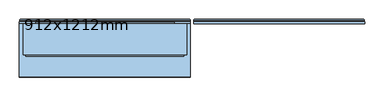
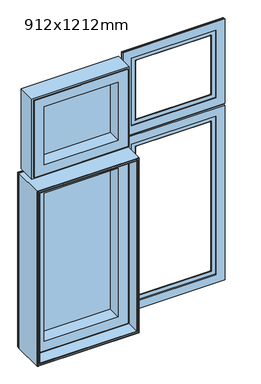
"""IFC4 building model written with IfcOpenShell, lengths in millimetres: window geometry, 912x1212mm."""

from ifc_helpers import new_model, si_unit, frame, origin, place, context, project, spatial, polyline, ellipse_curve, outline, extrude, faceted_brep, source, transform, mapped, element, save
from ifc_brep_helpers import plane_surface, cylinder_surface, revolved_surface, advanced_brep


def window_912x1212mm_dec26759(model_context):
    return source(origin(), model_context, "Body", "SolidModel", [
        advanced_brep(
        [(6.4999999, 154.0000016, 814.4999999), (5.0, 152.5000018, 813.0), (5.0, 152.5000018, 1607.0), (6.4999999, 154.0000016, 1605.5000001), (5.0, 148.3866107, 813.0), (5.0, 148.3866107, 1607.0), (4.0, 148.3866107, 812.0), (4.0, 142.5000017, 812.0), (4.0, 142.5000017, 1608.0), (4.0, 148.3866107, 1608.0), (42.0, 142.5000017, 850.0), (42.0, 146.5000019, 850.0), (42.0, 146.5000019, 1570.0), (42.0, 142.5000017, 1570.0), (60.5061211, 146.5000019, 868.5061211), (60.4807462, 147.4871074, 868.4807462), (60.4807462, 147.4871074, 1551.5192538), (60.5061211, 146.5000019, 1551.4938789), (58.4037517, 148.7951832, 866.4037517), (58.4037517, 148.7951832, 1553.5962483), (58.0, 149.7544748, 866.0), (58.0, 149.7544748, 1554.0), (58.0, 153.0000016, 866.0), (58.0, 153.0000016, 1554.0), (57.5, 153.5000016, 865.5), (57.5, 153.5000016, 1554.5), (42.2, 153.5000016, 850.2), (41.485926, 154.0000016, 849.485926), (41.485926, 154.0000016, 1570.514074), (42.2, 153.5000016, 1569.8), (443.0, 152.5000018, 1607.0), (441.5000001, 154.0000016, 1605.5000001), (443.0, 148.3866107, 1607.0), (444.0, 142.5000017, 1608.0), (444.0, 148.3866107, 1608.0), (406.0, 146.5000019, 1570.0), (406.0, 142.5000017, 1570.0), (387.5192538, 147.4871074, 1551.5192538), (387.4938789, 146.5000019, 1551.4938789), (389.5962483, 148.7951832, 1553.5962483), (390.0, 149.7544748, 1554.0), (390.0, 153.0000016, 1554.0), (390.5, 153.5000016, 1554.5), (406.514074, 154.0000016, 1570.514074), (405.8, 153.5000016, 1569.8), (443.0, 152.5000018, 813.0), (441.5000001, 154.0000016, 814.4999999), (443.0, 148.3866107, 813.0), (444.0, 142.5000017, 812.0), (444.0, 148.3866107, 812.0), (406.0, 146.5000019, 850.0), (406.0, 142.5000017, 850.0), (387.5192538, 147.4871074, 868.4807462), (387.4938789, 146.5000019, 868.5061211), (389.5962483, 148.7951832, 866.4037517), (390.0, 149.7544748, 866.0), (390.0, 153.0000016, 866.0), (390.5, 153.5000016, 865.5), (406.514074, 154.0000016, 849.485926), (405.8, 153.5000016, 850.2)],
        [
            (0, 1, ellipse_curve(frame((6.4999999, 152.5000018, 814.4999999), z_axis=(-0.7071067811865521, 0.0, 0.7071067811865428), x_axis=(-0.7071067811865427, 0.0, -0.7071067811865522)), 2.1213201, 1.4999998)),
            (1, 2),
            (2, 3, ellipse_curve(frame((6.4999999, 152.5000018, 1605.5000001), z_axis=(-0.7071067811865428, 0.0, -0.7071067811865521), x_axis=(0.707106781186552, 0.0, -0.7071067811865429)), 2.1213201, 1.4999998)),
            (3, 0),
            (1, 4),
            (4, 5),
            (5, 2),
            (6, 7),
            (7, 8),
            (8, 9),
            (9, 6),
            (10, 11),
            (11, 12),
            (12, 13),
            (13, 10),
            (14, 15, ellipse_curve(frame((60.5061211, 146.9938808, 868.5061211), z_axis=(-0.7071067811865521, 0.0, 0.7071067811865428), x_axis=(-0.7071067811865427, 0.0, -0.7071067811865522)), 0.6984503, 0.4938789)),
            (15, 16),
            (16, 17, ellipse_curve(frame((60.5061211, 146.9938808, 1551.4938789), z_axis=(-0.7071067811865428, 0.0, -0.7071067811865521), x_axis=(0.707106781186552, 0.0, -0.7071067811865429)), 0.6984503, 0.4938789)),
            (17, 14),
            (15, 18, ellipse_curve(frame((60.3772813, 149.6258125, 868.3772813), z_axis=(0.7071067811865521, 0.0, -0.7071067811865428), x_axis=(0.7071067811865427, 0.0, 0.7071067811865522)), 3.028123, 2.1412063)),
            (18, 19),
            (19, 16, ellipse_curve(frame((60.3772813, 149.6258125, 1551.6227187), z_axis=(0.7071067811865428, 0.0, 0.7071067811865521), x_axis=(-0.707106781186552, 0.0, 0.7071067811865429)), 3.028123, 2.1412063)),
            (18, 20),
            (20, 21),
            (21, 19),
            (20, 22),
            (22, 23),
            (23, 21),
            (22, 24, ellipse_curve(frame((57.5, 153.0000016, 865.5), z_axis=(-0.7071067811865521, 0.0, 0.7071067811865428), x_axis=(-0.7071067811865427, 0.0, -0.7071067811865522)), 0.7071068, 0.5)),
            (24, 25),
            (25, 23, ellipse_curve(frame((57.5, 153.0000016, 1554.5), z_axis=(-0.7071067811865428, 0.0, -0.7071067811865521), x_axis=(0.707106781186552, 0.0, -0.7071067811865429)), 0.7071068, 0.5)),
            (26, 27),
            (27, 28),
            (28, 29),
            (29, 26),
            (2, 30),
            (30, 31, ellipse_curve(frame((441.5000001, 152.5000018, 1605.5000001), z_axis=(-0.707106781186552, 0.0, 0.7071067811865429), x_axis=(-0.707106781186543, 0.0, -0.7071067811865519)), 2.1213201, 1.4999998)),
            (31, 3),
            (5, 32),
            (32, 30),
            (8, 33),
            (33, 34),
            (34, 9),
            (12, 35),
            (35, 36),
            (36, 13),
            (16, 37),
            (37, 38, ellipse_curve(frame((387.4938789, 146.9938808, 1551.4938789), z_axis=(-0.707106781186552, 0.0, 0.7071067811865429), x_axis=(-0.707106781186543, 0.0, -0.7071067811865519)), 0.6984503, 0.4938789)),
            (38, 17),
            (19, 39),
            (39, 37, ellipse_curve(frame((387.6227187, 149.6258125, 1551.6227187), z_axis=(0.707106781186552, 0.0, -0.7071067811865429), x_axis=(0.707106781186543, 0.0, 0.7071067811865519)), 3.028123, 2.1412063)),
            (21, 40),
            (40, 39),
            (23, 41),
            (41, 40),
            (25, 42),
            (42, 41, ellipse_curve(frame((390.5, 153.0000016, 1554.5), z_axis=(-0.707106781186552, 0.0, 0.7071067811865429), x_axis=(-0.707106781186543, 0.0, -0.7071067811865519)), 0.7071068, 0.5)),
            (28, 43),
            (43, 44),
            (44, 29),
            (30, 45),
            (45, 46, ellipse_curve(frame((441.5000001, 152.5000018, 814.4999999), z_axis=(0.7071067811865428, 0.0, 0.7071067811865521), x_axis=(-0.707106781186552, 0.0, 0.707106781186543)), 2.1213201, 1.4999998)),
            (46, 31),
            (32, 47),
            (47, 45),
            (33, 48),
            (48, 49),
            (49, 34),
            (35, 50),
            (50, 51),
            (51, 36),
            (37, 52),
            (52, 53, ellipse_curve(frame((387.4938789, 146.9938808, 868.5061211), z_axis=(0.7071067811865428, 0.0, 0.7071067811865521), x_axis=(-0.707106781186552, 0.0, 0.707106781186543)), 0.6984503, 0.4938789)),
            (53, 38),
            (39, 54),
            (54, 52, ellipse_curve(frame((387.6227187, 149.6258125, 868.3772813), z_axis=(-0.7071067811865428, 0.0, -0.7071067811865521), x_axis=(0.707106781186552, 0.0, -0.707106781186543)), 3.028123, 2.1412063)),
            (40, 55),
            (55, 54),
            (41, 56),
            (56, 55),
            (42, 57),
            (57, 56, ellipse_curve(frame((390.5, 153.0000016, 865.5), z_axis=(0.7071067811865428, 0.0, 0.7071067811865521), x_axis=(-0.707106781186552, 0.0, 0.707106781186543)), 0.7071068, 0.5)),
            (43, 58),
            (58, 59),
            (59, 44),
            (46, 0),
            (27, 58),
            (45, 1),
            (47, 4),
            (49, 6),
            (48, 7),
            (51, 10),
            (50, 11),
            (53, 14),
            (52, 15),
            (54, 18),
            (55, 20),
            (56, 22),
            (57, 24),
            (59, 26),
        ],
        [
            cylinder_surface(frame((6.4999999, 152.5000018, 812.0), z_axis=(0.0, 0.0, -1.0), x_axis=(0.0, -1.0, 0.0)), 1.4999998),
            plane_surface(frame((5.0, 148.3866107, 813.0), z_axis=(-1.0, 0.0, 0.0), x_axis=(0.0, 0.0, 1.0))),
            plane_surface(frame((4.0, 142.5000017, 812.0), z_axis=(-1.0, 0.0, 0.0), x_axis=(0.0, 0.0, 1.0))),
            plane_surface(frame((42.0, 146.5000019, 850.0), z_axis=(1.0, 0.0, 0.0), x_axis=(0.0, 0.0, 1.0))),
            cylinder_surface(frame((60.5061211, 146.9938808, 812.0), z_axis=(0.0, 0.0, -1.0), x_axis=(0.0, -1.0, 0.0)), 0.4938789),
            revolved_surface(polyline([(60.3772813, 147.4846062, 1553.7639250075667), (60.3772813, 147.4846062, 866.236074992433)]), (60.3772813, 149.6258125, 812.0), (0.0, 0.0, 1.0)),
            plane_surface(frame((58.0, 149.7544748, 866.0), z_axis=(0.9216905703602067, 0.3879258853300163, 0.0), x_axis=(0.0, 0.0, 1.0))),
            plane_surface(frame((58.0, 153.0000016, 866.0), z_axis=(1.0, 0.0, 0.0), x_axis=(0.0, 0.0, 1.0))),
            cylinder_surface(frame((57.5, 153.0000016, 812.0), z_axis=(0.0, 0.0, -1.0), x_axis=(0.0, -1.0, 0.0)), 0.5),
            plane_surface(frame((41.485926, 154.0000016, 849.485926), z_axis=(0.5735764363508191, 0.8191520442891508, 0.0), x_axis=(0.0, 0.0, 1.0))),
            cylinder_surface(frame((4.0, 152.5000018, 1605.5000001), z_axis=(-1.0, 0.0, 0.0), x_axis=(0.0, -1.0, 0.0)), 1.4999998),
            plane_surface(frame((5.0, 148.3866107, 1607.0), z_axis=(0.0, 0.0, 1.0), x_axis=(1.0, 0.0, 0.0))),
            plane_surface(frame((4.0, 142.5000017, 1608.0), z_axis=(0.0, 0.0, 1.0), x_axis=(1.0, 0.0, 0.0))),
            plane_surface(frame((42.0, 146.5000019, 1570.0), z_axis=(0.0, 0.0, -1.0), x_axis=(1.0, 0.0, 0.0))),
            cylinder_surface(frame((4.0, 146.9938808, 1551.4938789), z_axis=(-1.0, 0.0, 0.0), x_axis=(0.0, -1.0, 0.0)), 0.4938789),
            revolved_surface(polyline([(389.76392500756697, 147.4846062, 1551.6227187), (58.23607499243303, 147.4846062, 1551.6227187)]), (4.0, 149.6258125, 1551.6227187), (1.0, 0.0, 0.0)),
            plane_surface(frame((58.0, 149.7544748, 1554.0), z_axis=(0.0, 0.3879258853300194, -0.9216905703602055), x_axis=(1.0, 0.0, 0.0))),
            plane_surface(frame((58.0, 153.0000016, 1554.0), z_axis=(0.0, 0.0, -1.0), x_axis=(1.0, 0.0, 0.0))),
            cylinder_surface(frame((4.0, 153.0000016, 1554.5), z_axis=(-1.0, 0.0, 0.0), x_axis=(0.0, -1.0, 0.0)), 0.5),
            plane_surface(frame((41.485926, 154.0000016, 1570.514074), z_axis=(0.0, 0.8191520442891527, -0.5735764363508163), x_axis=(1.0, 0.0, 0.0))),
            cylinder_surface(frame((441.5000001, 152.5000018, 1608.0), z_axis=(0.0, 0.0, 1.0), x_axis=(0.0, -1.0, 0.0)), 1.4999998),
            plane_surface(frame((443.0, 148.3866107, 1607.0), z_axis=(1.0, 0.0, 0.0), x_axis=(0.0, 0.0, -1.0))),
            plane_surface(frame((444.0, 142.5000017, 1608.0), z_axis=(1.0, 0.0, 0.0), x_axis=(0.0, 0.0, -1.0))),
            plane_surface(frame((406.0, 146.5000019, 1570.0), z_axis=(-1.0, 0.0, 0.0), x_axis=(0.0, 0.0, -1.0))),
            cylinder_surface(frame((387.4938789, 146.9938808, 1608.0), z_axis=(0.0, 0.0, 1.0), x_axis=(0.0, -1.0, 0.0)), 0.4938789),
            revolved_surface(polyline([(387.6227187, 147.4846062, 866.2360749924331), (387.6227187, 147.4846062, 1553.763925007567)]), (387.6227187, 149.6258125, 1608.0), (0.0, 0.0, -1.0)),
            plane_surface(frame((390.0, 149.7544748, 1554.0), z_axis=(-0.9216905703602042, 0.38792588533002237, 0.0), x_axis=(0.0, 0.0, -1.0))),
            plane_surface(frame((390.0, 153.0000016, 1554.0), z_axis=(-1.0, 0.0, 0.0), x_axis=(0.0, 0.0, -1.0))),
            cylinder_surface(frame((390.5, 153.0000016, 1608.0), z_axis=(0.0, 0.0, 1.0), x_axis=(0.0, -1.0, 0.0)), 0.5),
            plane_surface(frame((406.514074, 154.0000016, 1570.514074), z_axis=(-0.5735764363508137, 0.8191520442891546, 0.0), x_axis=(0.0, 0.0, -1.0))),
            plane_surface(frame((441.5000001, 154.0000016, 814.4999999), z_axis=(0.0, 1.0, 0.0), x_axis=(-1.0, 0.0, 0.0))),
            cylinder_surface(frame((444.0, 152.5000018, 814.4999999), z_axis=(1.0, 0.0, 0.0), x_axis=(0.0, -1.0, 0.0)), 1.4999998),
            plane_surface(frame((443.0, 148.3866107, 813.0), z_axis=(0.0, 0.0, -1.0), x_axis=(-1.0, 0.0, 0.0))),
            plane_surface(frame((444.0, 148.3866107, 812.0), z_axis=(0.0, 1.0, 0.0), x_axis=(-1.0, 0.0, 0.0))),
            plane_surface(frame((444.0, 142.5000017, 812.0), z_axis=(0.0, 0.0, -1.0), x_axis=(-1.0, 0.0, 0.0))),
            plane_surface(frame((406.0, 142.5000017, 850.0), z_axis=(0.0, -1.0, 0.0), x_axis=(-1.0, 0.0, 0.0))),
            plane_surface(frame((406.0, 146.5000019, 850.0), z_axis=(0.0, 0.0, 1.0), x_axis=(-1.0, 0.0, 0.0))),
            plane_surface(frame((387.4938789, 146.5000019, 868.5061211), z_axis=(0.0, -1.0, 0.0), x_axis=(-1.0, 0.0, 0.0))),
            cylinder_surface(frame((444.0, 146.9938808, 868.5061211), z_axis=(1.0, 0.0, 0.0), x_axis=(0.0, -1.0, 0.0)), 0.4938789),
            revolved_surface(polyline([(58.23607499243303, 147.4846062, 868.3772813), (389.76392500756697, 147.4846062, 868.3772813)]), (444.0, 149.6258125, 868.3772813), (-1.0, 0.0, 0.0)),
            plane_surface(frame((390.0, 149.7544748, 866.0), z_axis=(0.0, 0.38792588533001937, 0.9216905703602054), x_axis=(-1.0, 0.0, 0.0))),
            plane_surface(frame((390.0, 153.0000016, 866.0), z_axis=(0.0, 0.0, 1.0), x_axis=(-1.0, 0.0, 0.0))),
            cylinder_surface(frame((444.0, 153.0000016, 865.5), z_axis=(1.0, 0.0, 0.0), x_axis=(0.0, -1.0, 0.0)), 0.5),
            plane_surface(frame((405.8, 153.5000016, 850.2), z_axis=(0.0, 1.0, 0.0), x_axis=(-1.0, 0.0, 0.0))),
            plane_surface(frame((406.514074, 154.0000016, 849.485926), z_axis=(0.0, 0.8191520442891527, 0.5735764363508163), x_axis=(-1.0, 0.0, 0.0))),
        ],
        [
            (0, [[1, 2, 3, 4]]),
            (1, [[5, 6, 7, -2]]),
            (2, [[8, 9, 10, 11]]),
            (3, [[12, 13, 14, 15]]),
            (4, [[16, 17, 18, 19]]),
            (5, [[20, 21, 22, -17]]),
            (6, [[23, 24, 25, -21]]),
            (7, [[26, 27, 28, -24]]),
            (8, [[29, 30, 31, -27]]),
            (9, [[32, 33, 34, 35]]),
            (10, [[-3, 36, 37, 38]]),
            (11, [[-7, 39, 40, -36]]),
            (12, [[-10, 41, 42, 43]]),
            (13, [[-14, 44, 45, 46]]),
            (14, [[-18, 47, 48, 49]]),
            (15, [[-22, 50, 51, -47]]),
            (16, [[-25, 52, 53, -50]]),
            (17, [[-28, 54, 55, -52]]),
            (18, [[-31, 56, 57, -54]]),
            (19, [[-34, 58, 59, 60]]),
            (20, [[-37, 61, 62, 63]]),
            (21, [[-40, 64, 65, -61]]),
            (22, [[-42, 66, 67, 68]]),
            (23, [[-45, 69, 70, 71]]),
            (24, [[-48, 72, 73, 74]]),
            (25, [[-51, 75, 76, -72]]),
            (26, [[-53, 77, 78, -75]]),
            (27, [[-55, 79, 80, -77]]),
            (28, [[-57, 81, 82, -79]]),
            (29, [[-59, 83, 84, 85]]),
            (30, [[-38, -63, 86, -4], [87, -83, -58, -33]]),
            (31, [[-62, 88, -1, -86]]),
            (32, [[-65, 89, -5, -88]]),
            (33, [[-43, -68, 90, -11], [-89, -64, -39, -6]]),
            (34, [[-67, 91, -8, -90]]),
            (35, [[-91, -66, -41, -9], [-46, -71, 92, -15]]),
            (36, [[-70, 93, -12, -92]]),
            (37, [[-93, -69, -44, -13], [-49, -74, 94, -19]]),
            (38, [[-73, 95, -16, -94]]),
            (39, [[-76, 96, -20, -95]]),
            (40, [[-78, 97, -23, -96]]),
            (41, [[-80, 98, -26, -97]]),
            (42, [[-82, 99, -29, -98]]),
            (43, [[-60, -85, 100, -35], [-99, -81, -56, -30]]),
            (44, [[-84, -87, -32, -100]]),
        ],
    ),
        advanced_brep(
        [(5.0, 152.5000018, 1999.0), (6.4999999, 154.0000016, 1997.5000001), (6.4999999, 154.0000016, 1618.4999999), (5.0, 152.5000018, 1617.0), (5.0, 148.3866107, 1999.0), (5.0, 148.3866107, 1617.0), (4.0, 142.5000017, 2000.0), (4.0, 148.3866107, 2000.0), (4.0, 148.3866107, 1616.0), (4.0, 142.5000017, 1616.0), (42.0, 146.5000019, 1962.0), (42.0, 142.5000017, 1962.0), (42.0, 142.5000017, 1654.0), (42.0, 146.5000019, 1654.0), (60.4807462, 147.4871074, 1943.5192538), (60.5061211, 146.5000019, 1943.4938789), (60.5061211, 146.5000019, 1672.5061211), (60.4807462, 147.4871074, 1672.4807462), (58.4037517, 148.7951832, 1945.5962483), (58.4037517, 148.7951832, 1670.4037517), (58.0, 149.7544748, 1946.0), (58.0, 149.7544748, 1670.0), (58.0, 153.0000016, 1946.0), (58.0, 153.0000016, 1670.0), (57.5, 153.5000016, 1946.5), (57.5, 153.5000016, 1669.5), (41.485926, 154.0000016, 1962.514074), (42.2, 153.5000016, 1961.8), (42.2, 153.5000016, 1654.2), (41.485926, 154.0000016, 1653.485926), (441.5000001, 154.0000016, 1618.4999999), (443.0, 152.5000018, 1617.0), (443.0, 148.3866107, 1617.0), (444.0, 148.3866107, 1616.0), (444.0, 142.5000017, 1616.0), (406.0, 142.5000017, 1654.0), (406.0, 146.5000019, 1654.0), (387.4938789, 146.5000019, 1672.5061211), (387.5192538, 147.4871074, 1672.4807462), (389.5962483, 148.7951832, 1670.4037517), (390.0, 149.7544748, 1670.0), (390.0, 153.0000016, 1670.0), (390.5, 153.5000016, 1669.5), (405.8, 153.5000016, 1654.2), (406.514074, 154.0000016, 1653.485926), (441.5000001, 154.0000016, 1997.5000001), (443.0, 152.5000018, 1999.0), (443.0, 148.3866107, 1999.0), (444.0, 148.3866107, 2000.0), (444.0, 142.5000017, 2000.0), (406.0, 142.5000017, 1962.0), (406.0, 146.5000019, 1962.0), (387.4938789, 146.5000019, 1943.4938789), (387.5192538, 147.4871074, 1943.5192538), (389.5962483, 148.7951832, 1945.5962483), (390.0, 149.7544748, 1946.0), (390.0, 153.0000016, 1946.0), (390.5, 153.5000016, 1946.5), (405.8, 153.5000016, 1961.8), (406.514074, 154.0000016, 1962.514074)],
        [
            (0, 1, ellipse_curve(frame((6.4999999, 152.5000018, 1997.5000001), z_axis=(-0.7071067811865475, 0.0, -0.7071067811865475), x_axis=(-0.7071067811865474, 0.0, 0.7071067811865476)), 2.1213201, 1.4999998)),
            (1, 2),
            (2, 3, ellipse_curve(frame((6.4999999, 152.5000018, 1618.4999999), z_axis=(-0.7071067811865475, 0.0, 0.7071067811865475), x_axis=(0.7071067811865474, 0.0, 0.7071067811865476)), 2.1213201, 1.4999998)),
            (3, 0),
            (4, 0),
            (3, 5),
            (5, 4),
            (6, 7),
            (7, 8),
            (8, 9),
            (9, 6),
            (10, 11),
            (11, 12),
            (12, 13),
            (13, 10),
            (14, 15, ellipse_curve(frame((60.5061211, 146.9938808, 1943.4938789), z_axis=(-0.7071067811865475, 0.0, -0.7071067811865475), x_axis=(-0.7071067811865474, 0.0, 0.7071067811865476)), 0.6984503, 0.4938789)),
            (15, 16),
            (16, 17, ellipse_curve(frame((60.5061211, 146.9938808, 1672.5061211), z_axis=(-0.7071067811865475, 0.0, 0.7071067811865475), x_axis=(0.7071067811865474, 0.0, 0.7071067811865476)), 0.6984503, 0.4938789)),
            (17, 14),
            (18, 14, ellipse_curve(frame((60.3772813, 149.6258125, 1943.6227187), z_axis=(0.7071067811865475, 0.0, 0.7071067811865475), x_axis=(0.7071067811865474, 0.0, -0.7071067811865476)), 3.028123, 2.1412063)),
            (17, 19, ellipse_curve(frame((60.3772813, 149.6258125, 1672.3772813), z_axis=(0.7071067811865475, 0.0, -0.7071067811865475), x_axis=(-0.7071067811865474, 0.0, -0.7071067811865476)), 3.028123, 2.1412063)),
            (19, 18),
            (20, 18),
            (19, 21),
            (21, 20),
            (22, 20),
            (21, 23),
            (23, 22),
            (24, 22, ellipse_curve(frame((57.5, 153.0000016, 1946.5), z_axis=(-0.7071067811865475, 0.0, -0.7071067811865475), x_axis=(-0.7071067811865474, 0.0, 0.7071067811865476)), 0.7071068, 0.5)),
            (23, 25, ellipse_curve(frame((57.5, 153.0000016, 1669.5), z_axis=(-0.7071067811865475, 0.0, 0.7071067811865475), x_axis=(0.7071067811865474, 0.0, 0.7071067811865476)), 0.7071068, 0.5)),
            (25, 24),
            (26, 27),
            (27, 28),
            (28, 29),
            (29, 26),
            (2, 30),
            (30, 31, ellipse_curve(frame((441.5000001, 152.5000018, 1618.4999999), z_axis=(-0.7071067811865475, 0.0, -0.7071067811865475), x_axis=(-0.7071067811865476, 0.0, 0.7071067811865474)), 2.1213201, 1.4999998)),
            (31, 3),
            (31, 32),
            (32, 5),
            (8, 33),
            (33, 34),
            (34, 9),
            (12, 35),
            (35, 36),
            (36, 13),
            (16, 37),
            (37, 38, ellipse_curve(frame((387.4938789, 146.9938808, 1672.5061211), z_axis=(-0.7071067811865475, 0.0, -0.7071067811865475), x_axis=(-0.7071067811865476, 0.0, 0.7071067811865474)), 0.6984503, 0.4938789)),
            (38, 17),
            (38, 39, ellipse_curve(frame((387.6227187, 149.6258125, 1672.3772813), z_axis=(0.7071067811865475, 0.0, 0.7071067811865475), x_axis=(0.7071067811865476, 0.0, -0.7071067811865474)), 3.028123, 2.1412063)),
            (39, 19),
            (39, 40),
            (40, 21),
            (40, 41),
            (41, 23),
            (41, 42, ellipse_curve(frame((390.5, 153.0000016, 1669.5), z_axis=(-0.7071067811865475, 0.0, -0.7071067811865475), x_axis=(-0.7071067811865476, 0.0, 0.7071067811865474)), 0.7071068, 0.5)),
            (42, 25),
            (28, 43),
            (43, 44),
            (44, 29),
            (30, 45),
            (45, 46, ellipse_curve(frame((441.5000001, 152.5000018, 1997.5000001), z_axis=(0.7071067811865475, 0.0, -0.7071067811865475), x_axis=(-0.7071067811865474, 0.0, -0.7071067811865476)), 2.1213201, 1.4999998)),
            (46, 31),
            (46, 47),
            (47, 32),
            (33, 48),
            (48, 49),
            (49, 34),
            (35, 50),
            (50, 51),
            (51, 36),
            (37, 52),
            (52, 53, ellipse_curve(frame((387.4938789, 146.9938808, 1943.4938789), z_axis=(0.7071067811865475, 0.0, -0.7071067811865475), x_axis=(-0.7071067811865474, 0.0, -0.7071067811865476)), 0.6984503, 0.4938789)),
            (53, 38),
            (53, 54, ellipse_curve(frame((387.6227187, 149.6258125, 1943.6227187), z_axis=(-0.7071067811865475, 0.0, 0.7071067811865475), x_axis=(0.7071067811865474, 0.0, 0.7071067811865476)), 3.028123, 2.1412063)),
            (54, 39),
            (54, 55),
            (55, 40),
            (55, 56),
            (56, 41),
            (56, 57, ellipse_curve(frame((390.5, 153.0000016, 1946.5), z_axis=(0.7071067811865475, 0.0, -0.7071067811865475), x_axis=(-0.7071067811865474, 0.0, -0.7071067811865476)), 0.7071068, 0.5)),
            (57, 42),
            (43, 58),
            (58, 59),
            (59, 44),
            (1, 45),
            (59, 26),
            (0, 46),
            (4, 47),
            (7, 48),
            (6, 49),
            (11, 50),
            (10, 51),
            (15, 52),
            (14, 53),
            (18, 54),
            (20, 55),
            (22, 56),
            (24, 57),
            (27, 58),
        ],
        [
            cylinder_surface(frame((6.4999999, 152.5000018, 2000.0), z_axis=(0.0, 0.0, 1.0), x_axis=(1.0, 0.0, 0.0)), 1.4999998),
            plane_surface(frame((5.0, 152.5000018, 1999.0), z_axis=(-1.0, 0.0, 0.0), x_axis=(0.0, 0.0, -1.0))),
            plane_surface(frame((4.0, 148.3866107, 2000.0), z_axis=(-1.0, 0.0, 0.0), x_axis=(0.0, 0.0, -1.0))),
            plane_surface(frame((42.0, 142.5000017, 1962.0), z_axis=(1.0, 0.0, 0.0), x_axis=(0.0, 0.0, -1.0))),
            cylinder_surface(frame((60.5061211, 146.9938808, 2000.0), z_axis=(0.0, 0.0, 1.0), x_axis=(1.0, 0.0, 0.0)), 0.4938789),
            revolved_surface(polyline([(62.5184876, 149.6258125, 1670.236074992433), (62.5184876, 149.6258125, 1945.763925007567)]), (60.3772813, 149.6258125, 2000.0), (0.0, 0.0, -1.0)),
            plane_surface(frame((58.4037517, 148.7951832, 1945.5962483), z_axis=(0.9216905703602581, 0.3879258853298941, 0.0), x_axis=(0.0, 0.0, -1.0))),
            plane_surface(frame((58.0, 149.7544748, 1946.0), z_axis=(1.0, 0.0, 0.0), x_axis=(0.0, 0.0, -1.0))),
            cylinder_surface(frame((57.5, 153.0000016, 2000.0), z_axis=(0.0, 0.0, 1.0), x_axis=(1.0, 0.0, 0.0)), 0.5),
            plane_surface(frame((42.2, 153.5000016, 1961.8), z_axis=(0.5735764363510224, 0.8191520442890085, 0.0), x_axis=(0.0, 0.0, -1.0))),
            cylinder_surface(frame((4.0, 152.5000018, 1618.4999999), z_axis=(-1.0, 0.0, 0.0), x_axis=(0.0, 0.0, 1.0)), 1.4999998),
            plane_surface(frame((5.0, 152.5000018, 1617.0), z_axis=(0.0, 0.0, -1.0), x_axis=(1.0, 0.0, 0.0))),
            plane_surface(frame((4.0, 148.3866107, 1616.0), z_axis=(0.0, 0.0, -1.0), x_axis=(1.0, 0.0, 0.0))),
            plane_surface(frame((42.0, 142.5000017, 1654.0), z_axis=(0.0, 0.0, 1.0), x_axis=(1.0, 0.0, 0.0))),
            cylinder_surface(frame((4.0, 146.9938808, 1672.5061211), z_axis=(-1.0, 0.0, 0.0), x_axis=(0.0, 0.0, 1.0)), 0.4938789),
            revolved_surface(polyline([(389.76392500756697, 149.6258125, 1674.5184876), (58.236074992433046, 149.6258125, 1674.5184876)]), (4.0, 149.6258125, 1672.3772813), (1.0, 0.0, 0.0)),
            plane_surface(frame((58.4037517, 148.7951832, 1670.4037517), z_axis=(0.0, 0.3879258853298971, 0.9216905703602569), x_axis=(1.0, 0.0, 0.0))),
            plane_surface(frame((58.0, 149.7544748, 1670.0), z_axis=(0.0, 0.0, 1.0), x_axis=(1.0, 0.0, 0.0))),
            cylinder_surface(frame((4.0, 153.0000016, 1669.5), z_axis=(-1.0, 0.0, 0.0), x_axis=(0.0, 0.0, 1.0)), 0.5),
            plane_surface(frame((42.2, 153.5000016, 1654.2), z_axis=(0.0, 0.8191520442890103, 0.5735764363510197), x_axis=(1.0, 0.0, 0.0))),
            cylinder_surface(frame((441.5000001, 152.5000018, 1616.0), z_axis=(0.0, 0.0, -1.0), x_axis=(-1.0, 0.0, 0.0)), 1.4999998),
            plane_surface(frame((443.0, 152.5000018, 1617.0), z_axis=(1.0, 0.0, 0.0), x_axis=(0.0, 0.0, 1.0))),
            plane_surface(frame((444.0, 148.3866107, 1616.0), z_axis=(1.0, 0.0, 0.0), x_axis=(0.0, 0.0, 1.0))),
            plane_surface(frame((406.0, 142.5000017, 1654.0), z_axis=(-1.0, 0.0, 0.0), x_axis=(0.0, 0.0, 1.0))),
            cylinder_surface(frame((387.4938789, 146.9938808, 1616.0), z_axis=(0.0, 0.0, -1.0), x_axis=(-1.0, 0.0, 0.0)), 0.4938789),
            revolved_surface(polyline([(385.4815124, 149.6258125, 1945.763925007567), (385.4815124, 149.6258125, 1670.236074992433)]), (387.6227187, 149.6258125, 1616.0), (0.0, 0.0, 1.0)),
            plane_surface(frame((389.5962483, 148.7951832, 1670.4037517), z_axis=(-0.9216905703602557, 0.3879258853299001, 0.0), x_axis=(0.0, 0.0, 1.0))),
            plane_surface(frame((390.0, 149.7544748, 1670.0), z_axis=(-1.0, 0.0, 0.0), x_axis=(0.0, 0.0, 1.0))),
            cylinder_surface(frame((390.5, 153.0000016, 1616.0), z_axis=(0.0, 0.0, -1.0), x_axis=(-1.0, 0.0, 0.0)), 0.5),
            plane_surface(frame((405.8, 153.5000016, 1654.2), z_axis=(-0.5735764363510171, 0.8191520442890122, 0.0), x_axis=(0.0, 0.0, 1.0))),
            plane_surface(frame((406.514074, 154.0000016, 1962.514074), z_axis=(0.0, 1.0, 0.0), x_axis=(-1.0, 0.0, 0.0))),
            cylinder_surface(frame((444.0, 152.5000018, 1997.5000001), z_axis=(1.0, 0.0, 0.0), x_axis=(0.0, 0.0, -1.0)), 1.4999998),
            plane_surface(frame((443.0, 152.5000018, 1999.0), z_axis=(0.0, 0.0, 1.0), x_axis=(-1.0, 0.0, 0.0))),
            plane_surface(frame((443.0, 148.3866107, 1999.0), z_axis=(0.0, 1.0, 0.0), x_axis=(-1.0, 0.0, 0.0))),
            plane_surface(frame((444.0, 148.3866107, 2000.0), z_axis=(0.0, 0.0, 1.0), x_axis=(-1.0, 0.0, 0.0))),
            plane_surface(frame((444.0, 142.5000017, 2000.0), z_axis=(0.0, -1.0, 0.0), x_axis=(-1.0, 0.0, 0.0))),
            plane_surface(frame((406.0, 142.5000017, 1962.0), z_axis=(0.0, 0.0, -1.0), x_axis=(-1.0, 0.0, 0.0))),
            plane_surface(frame((406.0, 146.5000019, 1962.0), z_axis=(0.0, -1.0, 0.0), x_axis=(-1.0, 0.0, 0.0))),
            cylinder_surface(frame((444.0, 146.9938808, 1943.4938789), z_axis=(1.0, 0.0, 0.0), x_axis=(0.0, 0.0, -1.0)), 0.4938789),
            revolved_surface(polyline([(58.23607499243303, 149.6258125, 1941.4815124), (389.76392500756697, 149.6258125, 1941.4815124)]), (444.0, 149.6258125, 1943.6227187), (-1.0, 0.0, 0.0)),
            plane_surface(frame((389.5962483, 148.7951832, 1945.5962483), z_axis=(0.0, 0.3879258853298971, -0.9216905703602569), x_axis=(-1.0, 0.0, 0.0))),
            plane_surface(frame((390.0, 149.7544748, 1946.0), z_axis=(0.0, 0.0, -1.0), x_axis=(-1.0, 0.0, 0.0))),
            cylinder_surface(frame((444.0, 153.0000016, 1946.5), z_axis=(1.0, 0.0, 0.0), x_axis=(0.0, 0.0, -1.0)), 0.5),
            plane_surface(frame((390.5, 153.5000016, 1946.5), z_axis=(0.0, 1.0, 0.0), x_axis=(-1.0, 0.0, 0.0))),
            plane_surface(frame((405.8, 153.5000016, 1961.8), z_axis=(0.0, 0.8191520442890103, -0.5735764363510197), x_axis=(-1.0, 0.0, 0.0))),
        ],
        [
            (0, [[1, 2, 3, 4]]),
            (1, [[5, -4, 6, 7]]),
            (2, [[8, 9, 10, 11]]),
            (3, [[12, 13, 14, 15]]),
            (4, [[16, 17, 18, 19]]),
            (5, [[20, -19, 21, 22]]),
            (6, [[23, -22, 24, 25]]),
            (7, [[26, -25, 27, 28]]),
            (8, [[29, -28, 30, 31]]),
            (9, [[32, 33, 34, 35]]),
            (10, [[-3, 36, 37, 38]]),
            (11, [[-6, -38, 39, 40]]),
            (12, [[-10, 41, 42, 43]]),
            (13, [[-14, 44, 45, 46]]),
            (14, [[-18, 47, 48, 49]]),
            (15, [[-21, -49, 50, 51]]),
            (16, [[-24, -51, 52, 53]]),
            (17, [[-27, -53, 54, 55]]),
            (18, [[-30, -55, 56, 57]]),
            (19, [[-34, 58, 59, 60]]),
            (20, [[-37, 61, 62, 63]]),
            (21, [[-39, -63, 64, 65]]),
            (22, [[-42, 66, 67, 68]]),
            (23, [[-45, 69, 70, 71]]),
            (24, [[-48, 72, 73, 74]]),
            (25, [[-50, -74, 75, 76]]),
            (26, [[-52, -76, 77, 78]]),
            (27, [[-54, -78, 79, 80]]),
            (28, [[-56, -80, 81, 82]]),
            (29, [[-59, 83, 84, 85]]),
            (30, [[86, -61, -36, -2], [-60, -85, 87, -35]]),
            (31, [[-62, -86, -1, 88]]),
            (32, [[-64, -88, -5, 89]]),
            (33, [[90, -66, -41, -9], [-40, -65, -89, -7]]),
            (34, [[-67, -90, -8, 91]]),
            (35, [[-43, -68, -91, -11], [92, -69, -44, -13]]),
            (36, [[-70, -92, -12, 93]]),
            (37, [[-46, -71, -93, -15], [94, -72, -47, -17]]),
            (38, [[-73, -94, -16, 95]]),
            (39, [[-75, -95, -20, 96]]),
            (40, [[-77, -96, -23, 97]]),
            (41, [[-79, -97, -26, 98]]),
            (42, [[-81, -98, -29, 99]]),
            (43, [[100, -83, -58, -33], [-57, -82, -99, -31]]),
            (44, [[-84, -100, -32, -87]]),
        ],
    ),
        advanced_brep(
        [(-435.5, 5.0000015, 820.5), (-434.0, 6.5000015, 822.0), (-434.0, 6.5000015, 1598.0), (-435.5, 5.0000015, 1599.5), (-434.0, 142.5000017, 822.0), (-434.0, 142.5000017, 1598.0), (-444.0, 142.5000017, 812.0), (-444.0, 6.5000015, 812.0), (-444.0, 6.5000015, 1608.0), (-444.0, 142.5000017, 1608.0), (-442.5, 5.0000015, 813.5), (-442.5, 5.0000015, 1606.5), (-14.0, 6.5000015, 1598.0), (-12.5, 5.0000015, 1599.5), (-14.0, 142.5000017, 1598.0), (-4.0, 6.5000015, 1608.0), (-4.0, 142.5000017, 1608.0), (-5.5, 5.0000015, 1606.5), (-14.0, 6.5000015, 822.0), (-12.5, 5.0000015, 820.5), (-14.0, 142.5000017, 822.0), (-4.0, 6.5000015, 812.0), (-4.0, 142.5000017, 812.0), (-5.5, 5.0000015, 813.5)],
        [
            (0, 1, ellipse_curve(frame((-435.5, 6.5000015, 820.5), z_axis=(-0.707106781186552, 0.0, 0.707106781186543), x_axis=(-0.707106781186543, 0.0, -0.707106781186552)), 2.1213203, 1.5)),
            (1, 2),
            (2, 3, ellipse_curve(frame((-435.5, 6.5000015, 1599.5), z_axis=(-0.7071067811865429, 0.0, -0.7071067811865521), x_axis=(0.7071067811865521, 0.0, -0.7071067811865429)), 2.1213203, 1.5)),
            (3, 0),
            (1, 4),
            (4, 5),
            (5, 2),
            (6, 7),
            (7, 8),
            (8, 9),
            (9, 6),
            (7, 10, ellipse_curve(frame((-442.5, 6.5000015, 813.5), z_axis=(-0.707106781186552, 0.0, 0.707106781186543), x_axis=(-0.707106781186543, 0.0, -0.707106781186552)), 2.1213203, 1.5)),
            (10, 11),
            (11, 8, ellipse_curve(frame((-442.5, 6.5000015, 1606.5), z_axis=(-0.7071067811865429, 0.0, -0.7071067811865521), x_axis=(0.7071067811865521, 0.0, -0.7071067811865429)), 2.1213203, 1.5)),
            (2, 12),
            (12, 13, ellipse_curve(frame((-12.5, 6.5000015, 1599.5), z_axis=(-0.707106781186552, 0.0, 0.7071067811865429), x_axis=(-0.7071067811865431, 0.0, -0.7071067811865519)), 2.1213203, 1.5)),
            (13, 3),
            (5, 14),
            (14, 12),
            (8, 15),
            (15, 16),
            (16, 9),
            (11, 17),
            (17, 15, ellipse_curve(frame((-5.5, 6.5000015, 1606.5), z_axis=(-0.707106781186552, 0.0, 0.7071067811865429), x_axis=(-0.7071067811865431, 0.0, -0.7071067811865519)), 2.1213203, 1.5)),
            (12, 18),
            (18, 19, ellipse_curve(frame((-12.5, 6.5000015, 820.5), z_axis=(0.7071067811865431, 0.0, 0.707106781186552), x_axis=(-0.707106781186552, 0.0, 0.7071067811865429)), 2.1213203, 1.5)),
            (19, 13),
            (14, 20),
            (20, 18),
            (15, 21),
            (21, 22),
            (22, 16),
            (17, 23),
            (23, 21, ellipse_curve(frame((-5.5, 6.5000015, 813.5), z_axis=(0.7071067811865431, 0.0, 0.707106781186552), x_axis=(-0.707106781186552, 0.0, 0.7071067811865429)), 2.1213203, 1.5)),
            (18, 1),
            (0, 19),
            (20, 4),
            (22, 6),
            (21, 7),
            (23, 10),
        ],
        [
            cylinder_surface(frame((-435.5, 6.5000015, 812.0), z_axis=(0.0, 0.0, -1.0), x_axis=(0.0, -1.0, 0.0)), 1.5),
            plane_surface(frame((-434.0, 142.5000017, 822.0), z_axis=(1.0, 0.0, 0.0), x_axis=(0.0, 0.0, 1.0))),
            plane_surface(frame((-444.0, 6.5000015, 812.0), z_axis=(-1.0, 0.0, 0.0), x_axis=(0.0, 0.0, 1.0))),
            cylinder_surface(frame((-442.5, 6.5000015, 812.0), z_axis=(0.0, 0.0, -1.0), x_axis=(0.0, -1.0, 0.0)), 1.5),
            cylinder_surface(frame((-444.0, 6.5000015, 1599.5), z_axis=(-1.0, 0.0, 0.0), x_axis=(0.0, -1.0, 0.0)), 1.5),
            plane_surface(frame((-434.0, 142.5000017, 1598.0), z_axis=(0.0, 0.0, -1.0), x_axis=(1.0, 0.0, 0.0))),
            plane_surface(frame((-444.0, 6.5000015, 1608.0), z_axis=(0.0, 0.0, 1.0), x_axis=(1.0, 0.0, 0.0))),
            cylinder_surface(frame((-444.0, 6.5000015, 1606.5), z_axis=(-1.0, 0.0, 0.0), x_axis=(0.0, -1.0, 0.0)), 1.5),
            cylinder_surface(frame((-12.5, 6.5000015, 1608.0), z_axis=(0.0, 0.0, 1.0), x_axis=(0.0, -1.0, 0.0)), 1.5),
            plane_surface(frame((-14.0, 142.5000017, 1598.0), z_axis=(-1.0, 0.0, 0.0), x_axis=(0.0, 0.0, -1.0))),
            plane_surface(frame((-4.0, 6.5000015, 1608.0), z_axis=(1.0, 0.0, 0.0), x_axis=(0.0, 0.0, -1.0))),
            cylinder_surface(frame((-5.5, 6.5000015, 1608.0), z_axis=(0.0, 0.0, 1.0), x_axis=(0.0, -1.0, 0.0)), 1.5),
            cylinder_surface(frame((-4.0, 6.5000015, 820.5), z_axis=(1.0, 0.0, 0.0), x_axis=(0.0, -1.0, 0.0)), 1.5),
            plane_surface(frame((-14.0, 142.5000017, 822.0), z_axis=(0.0, 0.0, 1.0), x_axis=(-1.0, 0.0, 0.0))),
            plane_surface(frame((-4.0, 142.5000017, 812.0), z_axis=(0.0, 1.0, 0.0), x_axis=(-1.0, 0.0, 0.0))),
            plane_surface(frame((-4.0, 6.5000015, 812.0), z_axis=(0.0, 0.0, -1.0), x_axis=(-1.0, 0.0, 0.0))),
            cylinder_surface(frame((-4.0, 6.5000015, 813.5), z_axis=(1.0, 0.0, 0.0), x_axis=(0.0, -1.0, 0.0)), 1.5),
            plane_surface(frame((-12.5, 5.0000015, 820.5), z_axis=(0.0, -1.0, 0.0), x_axis=(-1.0, 0.0, 0.0))),
        ],
        [
            (0, [[1, 2, 3, 4]]),
            (1, [[5, 6, 7, -2]]),
            (2, [[8, 9, 10, 11]]),
            (3, [[12, 13, 14, -9]]),
            (4, [[-3, 15, 16, 17]]),
            (5, [[-7, 18, 19, -15]]),
            (6, [[-10, 20, 21, 22]]),
            (7, [[-14, 23, 24, -20]]),
            (8, [[-16, 25, 26, 27]]),
            (9, [[-19, 28, 29, -25]]),
            (10, [[-21, 30, 31, 32]]),
            (11, [[-24, 33, 34, -30]]),
            (12, [[-26, 35, -1, 36]]),
            (13, [[-29, 37, -5, -35]]),
            (14, [[-22, -32, 38, -11], [-37, -28, -18, -6]]),
            (15, [[-31, 39, -8, -38]]),
            (16, [[-34, 40, -12, -39]]),
            (17, [[-40, -33, -23, -13], [-17, -27, -36, -4]]),
        ],
    ),
        advanced_brep(
        [(-441.5000001, 154.0000016, 814.4999999), (-443.0, 152.5000018, 813.0), (-443.0, 152.5000018, 1607.0), (-441.5000001, 154.0000016, 1605.5000001), (-443.0, 148.3866107, 813.0), (-443.0, 148.3866107, 1607.0), (-444.0, 148.3866107, 812.0), (-444.0, 142.5000017, 812.0), (-444.0, 142.5000017, 1608.0), (-444.0, 148.3866107, 1608.0), (-406.0, 142.5000017, 850.0), (-406.0, 146.5000019, 850.0), (-406.0, 146.5000019, 1570.0), (-406.0, 142.5000017, 1570.0), (-387.4938789, 146.5000019, 868.5061211), (-387.5192538, 147.4871074, 868.4807462), (-387.5192538, 147.4871074, 1551.5192538), (-387.4938789, 146.5000019, 1551.4938789), (-389.5962483, 148.7951832, 866.4037517), (-389.5962483, 148.7951832, 1553.5962483), (-390.0, 149.7544748, 866.0), (-390.0, 149.7544748, 1554.0), (-390.0, 153.0000016, 866.0), (-390.0, 153.0000016, 1554.0), (-390.5, 153.5000016, 865.5), (-390.5, 153.5000016, 1554.5), (-405.8, 153.5000016, 850.2), (-406.514074, 154.0000016, 849.485926), (-406.514074, 154.0000016, 1570.514074), (-405.8, 153.5000016, 1569.8), (-5.0, 152.5000018, 1607.0), (-6.4999999, 154.0000016, 1605.5000001), (-5.0, 148.3866107, 1607.0), (-4.0, 142.5000017, 1608.0), (-4.0, 148.3866107, 1608.0), (-42.0, 146.5000019, 1570.0), (-42.0, 142.5000017, 1570.0), (-60.4807462, 147.4871074, 1551.5192538), (-60.5061211, 146.5000019, 1551.4938789), (-58.4037517, 148.7951832, 1553.5962483), (-58.0, 149.7544748, 1554.0), (-58.0, 153.0000016, 1554.0), (-57.5, 153.5000016, 1554.5), (-41.485926, 154.0000016, 1570.514074), (-42.2, 153.5000016, 1569.8), (-5.0, 152.5000018, 813.0), (-6.4999999, 154.0000016, 814.4999999), (-5.0, 148.3866107, 813.0), (-4.0, 142.5000017, 812.0), (-4.0, 148.3866107, 812.0), (-42.0, 146.5000019, 850.0), (-42.0, 142.5000017, 850.0), (-60.4807462, 147.4871074, 868.4807462), (-60.5061211, 146.5000019, 868.5061211), (-58.4037517, 148.7951832, 866.4037517), (-58.0, 149.7544748, 866.0), (-58.0, 153.0000016, 866.0), (-57.5, 153.5000016, 865.5), (-41.485926, 154.0000016, 849.485926), (-42.2, 153.5000016, 850.2)],
        [
            (0, 1, ellipse_curve(frame((-441.5000001, 152.5000018, 814.4999999), z_axis=(-0.7071067811865521, 0.0, 0.7071067811865428), x_axis=(-0.7071067811865427, 0.0, -0.7071067811865522)), 2.1213201, 1.4999998)),
            (1, 2),
            (2, 3, ellipse_curve(frame((-441.5000001, 152.5000018, 1605.5000001), z_axis=(-0.7071067811865428, 0.0, -0.7071067811865521), x_axis=(0.707106781186552, 0.0, -0.7071067811865429)), 2.1213201, 1.4999998)),
            (3, 0),
            (1, 4),
            (4, 5),
            (5, 2),
            (6, 7),
            (7, 8),
            (8, 9),
            (9, 6),
            (10, 11),
            (11, 12),
            (12, 13),
            (13, 10),
            (14, 15, ellipse_curve(frame((-387.4938789, 146.9938808, 868.5061211), z_axis=(-0.7071067811865521, 0.0, 0.7071067811865428), x_axis=(-0.7071067811865427, 0.0, -0.7071067811865522)), 0.6984503, 0.4938789)),
            (15, 16),
            (16, 17, ellipse_curve(frame((-387.4938789, 146.9938808, 1551.4938789), z_axis=(-0.7071067811865428, 0.0, -0.7071067811865521), x_axis=(0.707106781186552, 0.0, -0.7071067811865429)), 0.6984503, 0.4938789)),
            (17, 14),
            (15, 18, ellipse_curve(frame((-387.6227187, 149.6258125, 868.3772813), z_axis=(0.7071067811865521, 0.0, -0.7071067811865428), x_axis=(0.7071067811865427, 0.0, 0.7071067811865522)), 3.028123, 2.1412063)),
            (18, 19),
            (19, 16, ellipse_curve(frame((-387.6227187, 149.6258125, 1551.6227187), z_axis=(0.7071067811865428, 0.0, 0.7071067811865521), x_axis=(-0.707106781186552, 0.0, 0.7071067811865429)), 3.028123, 2.1412063)),
            (18, 20),
            (20, 21),
            (21, 19),
            (20, 22),
            (22, 23),
            (23, 21),
            (22, 24, ellipse_curve(frame((-390.5, 153.0000016, 865.5), z_axis=(-0.7071067811865521, 0.0, 0.7071067811865428), x_axis=(-0.7071067811865427, 0.0, -0.7071067811865522)), 0.7071068, 0.5)),
            (24, 25),
            (25, 23, ellipse_curve(frame((-390.5, 153.0000016, 1554.5), z_axis=(-0.7071067811865428, 0.0, -0.7071067811865521), x_axis=(0.707106781186552, 0.0, -0.7071067811865429)), 0.7071068, 0.5)),
            (26, 27),
            (27, 28),
            (28, 29),
            (29, 26),
            (2, 30),
            (30, 31, ellipse_curve(frame((-6.4999999, 152.5000018, 1605.5000001), z_axis=(-0.707106781186552, 0.0, 0.7071067811865429), x_axis=(-0.707106781186543, 0.0, -0.7071067811865519)), 2.1213201, 1.4999998)),
            (31, 3),
            (5, 32),
            (32, 30),
            (8, 33),
            (33, 34),
            (34, 9),
            (12, 35),
            (35, 36),
            (36, 13),
            (16, 37),
            (37, 38, ellipse_curve(frame((-60.5061211, 146.9938808, 1551.4938789), z_axis=(-0.707106781186552, 0.0, 0.7071067811865429), x_axis=(-0.707106781186543, 0.0, -0.7071067811865519)), 0.6984503, 0.4938789)),
            (38, 17),
            (19, 39),
            (39, 37, ellipse_curve(frame((-60.3772813, 149.6258125, 1551.6227187), z_axis=(0.707106781186552, 0.0, -0.7071067811865429), x_axis=(0.707106781186543, 0.0, 0.7071067811865519)), 3.028123, 2.1412063)),
            (21, 40),
            (40, 39),
            (23, 41),
            (41, 40),
            (25, 42),
            (42, 41, ellipse_curve(frame((-57.5, 153.0000016, 1554.5), z_axis=(-0.707106781186552, 0.0, 0.7071067811865429), x_axis=(-0.707106781186543, 0.0, -0.7071067811865519)), 0.7071068, 0.5)),
            (28, 43),
            (43, 44),
            (44, 29),
            (30, 45),
            (45, 46, ellipse_curve(frame((-6.4999999, 152.5000018, 814.4999999), z_axis=(0.7071067811865428, 0.0, 0.7071067811865521), x_axis=(-0.707106781186552, 0.0, 0.707106781186543)), 2.1213201, 1.4999998)),
            (46, 31),
            (32, 47),
            (47, 45),
            (33, 48),
            (48, 49),
            (49, 34),
            (35, 50),
            (50, 51),
            (51, 36),
            (37, 52),
            (52, 53, ellipse_curve(frame((-60.5061211, 146.9938808, 868.5061211), z_axis=(0.7071067811865428, 0.0, 0.7071067811865521), x_axis=(-0.707106781186552, 0.0, 0.707106781186543)), 0.6984503, 0.4938789)),
            (53, 38),
            (39, 54),
            (54, 52, ellipse_curve(frame((-60.3772813, 149.6258125, 868.3772813), z_axis=(-0.7071067811865428, 0.0, -0.7071067811865521), x_axis=(0.707106781186552, 0.0, -0.707106781186543)), 3.028123, 2.1412063)),
            (40, 55),
            (55, 54),
            (41, 56),
            (56, 55),
            (42, 57),
            (57, 56, ellipse_curve(frame((-57.5, 153.0000016, 865.5), z_axis=(0.7071067811865428, 0.0, 0.7071067811865521), x_axis=(-0.707106781186552, 0.0, 0.707106781186543)), 0.7071068, 0.5)),
            (43, 58),
            (58, 59),
            (59, 44),
            (46, 0),
            (27, 58),
            (45, 1),
            (47, 4),
            (49, 6),
            (48, 7),
            (51, 10),
            (50, 11),
            (53, 14),
            (52, 15),
            (54, 18),
            (55, 20),
            (56, 22),
            (57, 24),
            (59, 26),
        ],
        [
            cylinder_surface(frame((-441.5000001, 152.5000018, 812.0), z_axis=(0.0, 0.0, -1.0), x_axis=(0.0, -1.0, 0.0)), 1.4999998),
            plane_surface(frame((-443.0, 148.3866107, 813.0), z_axis=(-1.0, 0.0, 0.0), x_axis=(0.0, 0.0, 1.0))),
            plane_surface(frame((-444.0, 142.5000017, 812.0), z_axis=(-1.0, 0.0, 0.0), x_axis=(0.0, 0.0, 1.0))),
            plane_surface(frame((-406.0, 146.5000019, 850.0), z_axis=(1.0, 0.0, 0.0), x_axis=(0.0, 0.0, 1.0))),
            cylinder_surface(frame((-387.4938789, 146.9938808, 812.0), z_axis=(0.0, 0.0, -1.0), x_axis=(0.0, -1.0, 0.0)), 0.4938789),
            revolved_surface(polyline([(-387.6227187, 147.4846062, 1553.7639250075667), (-387.6227187, 147.4846062, 866.236074992433)]), (-387.6227187, 149.6258125, 812.0), (0.0, 0.0, 1.0)),
            plane_surface(frame((-390.0, 149.7544748, 866.0), z_axis=(0.9216905703601931, 0.3879258853300486, 0.0), x_axis=(0.0, 0.0, 1.0))),
            plane_surface(frame((-390.0, 153.0000016, 866.0), z_axis=(1.0, 0.0, 0.0), x_axis=(0.0, 0.0, 1.0))),
            cylinder_surface(frame((-390.5, 153.0000016, 812.0), z_axis=(0.0, 0.0, -1.0), x_axis=(0.0, -1.0, 0.0)), 0.5),
            plane_surface(frame((-406.514074, 154.0000016, 849.485926), z_axis=(0.5735764363508328, 0.8191520442891411, 0.0), x_axis=(0.0, 0.0, 1.0))),
            cylinder_surface(frame((-444.0, 152.5000018, 1605.5000001), z_axis=(-1.0, 0.0, 0.0), x_axis=(0.0, -1.0, 0.0)), 1.4999998),
            plane_surface(frame((-443.0, 148.3866107, 1607.0), z_axis=(0.0, 0.0, 1.0), x_axis=(1.0, 0.0, 0.0))),
            plane_surface(frame((-444.0, 142.5000017, 1608.0), z_axis=(0.0, 0.0, 1.0), x_axis=(1.0, 0.0, 0.0))),
            plane_surface(frame((-406.0, 146.5000019, 1570.0), z_axis=(0.0, 0.0, -1.0), x_axis=(1.0, 0.0, 0.0))),
            cylinder_surface(frame((-444.0, 146.9938808, 1551.4938789), z_axis=(-1.0, 0.0, 0.0), x_axis=(0.0, -1.0, 0.0)), 0.4938789),
            revolved_surface(polyline([(-58.23607499243303, 147.4846062, 1551.6227187), (-389.76392500756697, 147.4846062, 1551.6227187)]), (-444.0, 149.6258125, 1551.6227187), (1.0, 0.0, 0.0)),
            plane_surface(frame((-390.0, 149.7544748, 1554.0), z_axis=(0.0, 0.3879258853300517, -0.9216905703601918), x_axis=(1.0, 0.0, 0.0))),
            plane_surface(frame((-390.0, 153.0000016, 1554.0), z_axis=(0.0, 0.0, -1.0), x_axis=(1.0, 0.0, 0.0))),
            cylinder_surface(frame((-444.0, 153.0000016, 1554.5), z_axis=(-1.0, 0.0, 0.0), x_axis=(0.0, -1.0, 0.0)), 0.5),
            plane_surface(frame((-406.514074, 154.0000016, 1570.514074), z_axis=(0.0, 0.8191520442891431, -0.5735764363508301), x_axis=(1.0, 0.0, 0.0))),
            cylinder_surface(frame((-6.4999999, 152.5000018, 1608.0), z_axis=(0.0, 0.0, 1.0), x_axis=(0.0, -1.0, 0.0)), 1.4999998),
            plane_surface(frame((-5.0, 148.3866107, 1607.0), z_axis=(1.0, 0.0, 0.0), x_axis=(0.0, 0.0, -1.0))),
            plane_surface(frame((-4.0, 142.5000017, 1608.0), z_axis=(1.0, 0.0, 0.0), x_axis=(0.0, 0.0, -1.0))),
            plane_surface(frame((-42.0, 146.5000019, 1570.0), z_axis=(-1.0, 0.0, 0.0), x_axis=(0.0, 0.0, -1.0))),
            cylinder_surface(frame((-60.5061211, 146.9938808, 1608.0), z_axis=(0.0, 0.0, 1.0), x_axis=(0.0, -1.0, 0.0)), 0.4938789),
            revolved_surface(polyline([(-60.3772813, 147.4846062, 866.2360749924331), (-60.3772813, 147.4846062, 1553.763925007567)]), (-60.3772813, 149.6258125, 1608.0), (0.0, 0.0, -1.0)),
            plane_surface(frame((-58.0, 149.7544748, 1554.0), z_axis=(-0.9216905703601905, 0.3879258853300547, 0.0), x_axis=(0.0, 0.0, -1.0))),
            plane_surface(frame((-58.0, 153.0000016, 1554.0), z_axis=(-1.0, 0.0, 0.0), x_axis=(0.0, 0.0, -1.0))),
            cylinder_surface(frame((-57.5, 153.0000016, 1608.0), z_axis=(0.0, 0.0, 1.0), x_axis=(0.0, -1.0, 0.0)), 0.5),
            plane_surface(frame((-41.485926, 154.0000016, 1570.514074), z_axis=(-0.5735764363508273, 0.8191520442891449, 0.0), x_axis=(0.0, 0.0, -1.0))),
            plane_surface(frame((-6.4999999, 154.0000016, 814.4999999), z_axis=(0.0, 1.0, 0.0), x_axis=(-1.0, 0.0, 0.0))),
            cylinder_surface(frame((-4.0, 152.5000018, 814.4999999), z_axis=(1.0, 0.0, 0.0), x_axis=(0.0, -1.0, 0.0)), 1.4999998),
            plane_surface(frame((-5.0, 148.3866107, 813.0), z_axis=(0.0, 0.0, -1.0), x_axis=(-1.0, 0.0, 0.0))),
            plane_surface(frame((-4.0, 148.3866107, 812.0), z_axis=(0.0, 1.0, 0.0), x_axis=(-1.0, 0.0, 0.0))),
            plane_surface(frame((-4.0, 142.5000017, 812.0), z_axis=(0.0, 0.0, -1.0), x_axis=(-1.0, 0.0, 0.0))),
            plane_surface(frame((-42.0, 142.5000017, 850.0), z_axis=(0.0, -1.0, 0.0), x_axis=(-1.0, 0.0, 0.0))),
            plane_surface(frame((-42.0, 146.5000019, 850.0), z_axis=(0.0, 0.0, 1.0), x_axis=(-1.0, 0.0, 0.0))),
            plane_surface(frame((-60.5061211, 146.5000019, 868.5061211), z_axis=(0.0, -1.0, 0.0), x_axis=(-1.0, 0.0, 0.0))),
            cylinder_surface(frame((-4.0, 146.9938808, 868.5061211), z_axis=(1.0, 0.0, 0.0), x_axis=(0.0, -1.0, 0.0)), 0.4938789),
            revolved_surface(polyline([(-389.76392500756697, 147.4846062, 868.3772813), (-58.23607499243303, 147.4846062, 868.3772813)]), (-4.0, 149.6258125, 868.3772813), (-1.0, 0.0, 0.0)),
            plane_surface(frame((-58.0, 149.7544748, 866.0), z_axis=(0.0, 0.3879258853300517, 0.9216905703601918), x_axis=(-1.0, 0.0, 0.0))),
            plane_surface(frame((-58.0, 153.0000016, 866.0), z_axis=(0.0, 0.0, 1.0), x_axis=(-1.0, 0.0, 0.0))),
            cylinder_surface(frame((-4.0, 153.0000016, 865.5), z_axis=(1.0, 0.0, 0.0), x_axis=(0.0, -1.0, 0.0)), 0.5),
            plane_surface(frame((-42.2, 153.5000016, 850.2), z_axis=(0.0, 1.0, 0.0), x_axis=(-1.0, 0.0, 0.0))),
            plane_surface(frame((-41.485926, 154.0000016, 849.485926), z_axis=(0.0, 0.8191520442891431, 0.5735764363508301), x_axis=(-1.0, 0.0, 0.0))),
        ],
        [
            (0, [[1, 2, 3, 4]]),
            (1, [[5, 6, 7, -2]]),
            (2, [[8, 9, 10, 11]]),
            (3, [[12, 13, 14, 15]]),
            (4, [[16, 17, 18, 19]]),
            (5, [[20, 21, 22, -17]]),
            (6, [[23, 24, 25, -21]]),
            (7, [[26, 27, 28, -24]]),
            (8, [[29, 30, 31, -27]]),
            (9, [[32, 33, 34, 35]]),
            (10, [[-3, 36, 37, 38]]),
            (11, [[-7, 39, 40, -36]]),
            (12, [[-10, 41, 42, 43]]),
            (13, [[-14, 44, 45, 46]]),
            (14, [[-18, 47, 48, 49]]),
            (15, [[-22, 50, 51, -47]]),
            (16, [[-25, 52, 53, -50]]),
            (17, [[-28, 54, 55, -52]]),
            (18, [[-31, 56, 57, -54]]),
            (19, [[-34, 58, 59, 60]]),
            (20, [[-37, 61, 62, 63]]),
            (21, [[-40, 64, 65, -61]]),
            (22, [[-42, 66, 67, 68]]),
            (23, [[-45, 69, 70, 71]]),
            (24, [[-48, 72, 73, 74]]),
            (25, [[-51, 75, 76, -72]]),
            (26, [[-53, 77, 78, -75]]),
            (27, [[-55, 79, 80, -77]]),
            (28, [[-57, 81, 82, -79]]),
            (29, [[-59, 83, 84, 85]]),
            (30, [[-38, -63, 86, -4], [87, -83, -58, -33]]),
            (31, [[-62, 88, -1, -86]]),
            (32, [[-65, 89, -5, -88]]),
            (33, [[-43, -68, 90, -11], [-89, -64, -39, -6]]),
            (34, [[-67, 91, -8, -90]]),
            (35, [[-91, -66, -41, -9], [-46, -71, 92, -15]]),
            (36, [[-70, 93, -12, -92]]),
            (37, [[-93, -69, -44, -13], [-49, -74, 94, -19]]),
            (38, [[-73, 95, -16, -94]]),
            (39, [[-76, 96, -20, -95]]),
            (40, [[-78, 97, -23, -96]]),
            (41, [[-80, 98, -26, -97]]),
            (42, [[-82, 99, -29, -98]]),
            (43, [[-60, -85, 100, -35], [-99, -81, -56, -30]]),
            (44, [[-84, -87, -32, -100]]),
        ],
    ),
        faceted_brep([(-406.0, 118.5000018, 850.0), (-406.0, 142.5000017, 850.0), (-406.0, 142.5000017, 1570.0), (-406.0, 118.5000018, 1570.0), (-434.0, 142.5000017, 822.0), (-434.0, 63.3258286, 822.0), (-434.0, 63.3258286, 1598.0), (-434.0, 142.5000017, 1598.0), (-427.2, 63.3258286, 828.8), (-427.2, 59.5000018, 828.8), (-427.2, 59.5000018, 1591.2), (-427.2, 63.3258286, 1591.2), (-384.0, 59.5000018, 872.0), (-384.0, 118.5000018, 872.0), (-384.0, 118.5000018, 1548.0), (-384.0, 59.5000018, 1548.0), (-42.0, 142.5000017, 1570.0), (-42.0, 118.5000018, 1570.0), (-14.0, 63.3258286, 1598.0), (-14.0, 142.5000017, 1598.0), (-20.8, 59.5000018, 1591.2), (-20.8, 63.3258286, 1591.2), (-64.0, 118.5000018, 1548.0), (-64.0, 59.5000018, 1548.0), (-42.0, 142.5000017, 850.0), (-42.0, 118.5000018, 850.0), (-14.0, 63.3258286, 822.0), (-14.0, 142.5000017, 822.0), (-20.8, 59.5000018, 828.8), (-20.8, 63.3258286, 828.8), (-64.0, 118.5000018, 872.0), (-64.0, 59.5000018, 872.0)], [[[0, 1, 2, 3]], [[4, 5, 6, 7]], [[8, 9, 10, 11]], [[12, 13, 14, 15]], [[3, 2, 16, 17]], [[7, 6, 18, 19]], [[11, 10, 20, 21]], [[15, 14, 22, 23]], [[17, 16, 24, 25]], [[19, 18, 26, 27]], [[21, 20, 28, 29]], [[23, 22, 30, 31]], [[25, 24, 1, 0]], [[7, 19, 27, 4], [1, 24, 16, 2]], [[27, 26, 5, 4]], [[5, 26, 18, 6], [11, 21, 29, 8]], [[29, 28, 9, 8]], [[9, 28, 20, 10], [15, 23, 31, 12]], [[31, 30, 13, 12]], [[3, 17, 25, 0], [13, 30, 22, 14]]]),
        extrude(outline(polyline([(-46.0, 118.5000019), (-402.0, 118.5000019), (-402.0, 146.5000019), (-46.0, 146.5000019), (-46.0, 118.5000019)])), frame((0.0, 0.0, 854.0), z_axis=(0.0, 0.0, 1.0), x_axis=(1.0, 0.0, 0.0)), (0.0, 0.0, 1.0), 712.0),
        extrude(outline(polyline([(-46.0, 118.5000018), (-402.0, 118.5000018), (-402.0, 146.5000018), (-46.0, 146.5000018), (-46.0, 118.5000018)])), frame((0.0, 0.0, 1658.0), z_axis=(0.0, 0.0, 1.0), x_axis=(1.0, 0.0, 0.0)), (0.0, 0.0, 1.0), 300.0),
        faceted_brep([(-406.0, 142.5000017, 1962.0), (-406.0, 118.5000018, 1962.0), (-406.0, 118.5000018, 1654.0), (-406.0, 142.5000017, 1654.0), (-434.0, 63.3258286, 1990.0), (-434.0, 142.5000017, 1990.0), (-434.0, 142.5000017, 1626.0), (-434.0, 63.3258286, 1626.0), (-427.2, 59.5000018, 1983.2), (-427.2, 63.3258286, 1983.2), (-427.2, 63.3258286, 1632.8), (-427.2, 59.5000018, 1632.8), (-384.0, 118.5000018, 1940.0), (-384.0, 59.5000018, 1940.0), (-384.0, 59.5000018, 1676.0), (-384.0, 118.5000018, 1676.0), (-42.0, 118.5000018, 1654.0), (-42.0, 142.5000017, 1654.0), (-14.0, 142.5000017, 1626.0), (-14.0, 63.3258286, 1626.0), (-20.8, 63.3258286, 1632.8), (-20.8, 59.5000018, 1632.8), (-64.0, 59.5000018, 1676.0), (-64.0, 118.5000018, 1676.0), (-42.0, 118.5000018, 1962.0), (-42.0, 142.5000017, 1962.0), (-14.0, 142.5000017, 1990.0), (-14.0, 63.3258286, 1990.0), (-20.8, 63.3258286, 1983.2), (-20.8, 59.5000018, 1983.2), (-64.0, 59.5000018, 1940.0), (-64.0, 118.5000018, 1940.0)], [[[0, 1, 2, 3]], [[4, 5, 6, 7]], [[8, 9, 10, 11]], [[12, 13, 14, 15]], [[3, 2, 16, 17]], [[7, 6, 18, 19]], [[11, 10, 20, 21]], [[15, 14, 22, 23]], [[17, 16, 24, 25]], [[19, 18, 26, 27]], [[21, 20, 28, 29]], [[23, 22, 30, 31]], [[25, 24, 1, 0]], [[5, 26, 18, 6], [3, 17, 25, 0]], [[27, 26, 5, 4]], [[7, 19, 27, 4], [9, 28, 20, 10]], [[29, 28, 9, 8]], [[11, 21, 29, 8], [13, 30, 22, 14]], [[31, 30, 13, 12]], [[1, 24, 16, 2], [15, 23, 31, 12]]]),
    ])


if __name__ == "__main__":
    model = new_model("IFC4")
    model_context = context("Model", 3, world=origin())
    ifc_project = project(units=[si_unit("LENGTHUNIT", "METRE", prefix="MILLI")], contexts=[model_context])
    site = spatial("IfcSite", under=ifc_project)
    building = spatial("IfcBuilding", under=site)
    placement = place(None, origin())
    window_912x1212mm_shape = window_912x1212mm_dec26759(model_context)
    element("IfcWindow", 1, ObjectType="912x1212mm", at=placement, inside=building, context=model_context, shape_type="MappedRepresentation", body=[
        mapped(window_912x1212mm_shape, transform((0.0, 0.0, 0.0), x_axis=(1.0, 0.0, 0.0), y_axis=(0.0, 1.0, 0.0), z_axis=(0.0, 0.0, 1.0))),
    ])
    save(model, "model.ifc")
